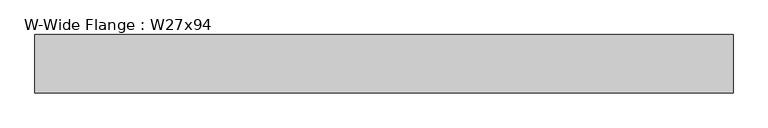
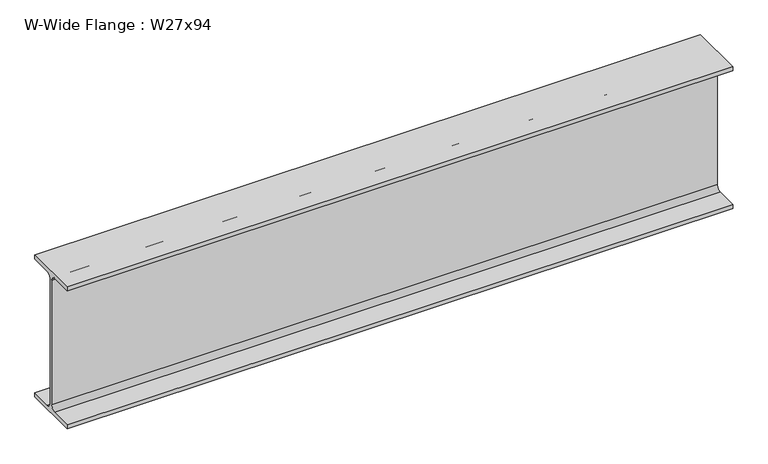
"""IFC4 building model written with IfcOpenShell, lengths in millimetres: beam geometry, W-Wide Flange : W27x94."""

from ifc_helpers import new_model, si_unit, point, frame, frame_2d, origin, place, context, project, spatial, polyline, circle_curve, trimmed, segment, composite_curve, outline, extrude, source, transform, mapped, element, save


def w_wide_flange_w27x94_03ec7a20(model_context):
    return source(origin(), model_context, "Body", "SweptSolid", [
        extrude(outline(composite_curve([segment(polyline([(-127.0, -322.707), (-28.575, -322.707)]), True, "CONTINUOUS"), segment(trimmed(circle_curve(frame_2d((-28.575, -300.355)), 22.352), [point((-28.575, -322.707))], [point((-6.223, -300.355))], True, "CARTESIAN"), True, "CONTINUOUS"), segment(polyline([(-6.223, -300.355), (-6.223, 300.355)]), True, "CONTINUOUS"), segment(trimmed(circle_curve(frame_2d((-28.575, 300.355)), 22.352), [point((-6.223, 300.355))], [point((-28.575, 322.707))], True, "CARTESIAN"), True, "CONTINUOUS"), segment(polyline([(-28.575, 322.707), (-127.0, 322.707), (-127.0, 341.63), (127.0, 341.63), (127.0, 322.707), (28.575, 322.707)]), True, "CONTINUOUS"), segment(trimmed(circle_curve(frame_2d((28.575, 300.355)), 22.352), [point((28.575, 322.707))], [point((6.223, 300.355))], True, "CARTESIAN"), True, "CONTINUOUS"), segment(polyline([(6.223, 300.355), (6.223, -300.355)]), True, "CONTINUOUS"), segment(trimmed(circle_curve(frame_2d((28.575, -300.355)), 22.352), [point((6.223, -300.355))], [point((28.575, -322.707))], True, "CARTESIAN"), True, "CONTINUOUS"), segment(polyline([(28.575, -322.707), (127.0, -322.707), (127.0, -341.63), (-127.0, -341.63), (-127.0, -322.707)]), True, "CONTINUOUS")], self_intersect=False)), frame((-1405.6429489, 0.0, 0.0), z_axis=(1.0, 0.0, 0.0), x_axis=(0.0, 1.0, 0.0)), (0.0, 0.0, 1.0), 3035.4058315),
    ])


if __name__ == "__main__":
    model = new_model("IFC4")
    model_context = context("Model", 3, world=origin())
    ifc_project = project(units=[si_unit("LENGTHUNIT", "METRE", prefix="MILLI")], contexts=[model_context])
    site = spatial("IfcSite", under=ifc_project)
    building = spatial("IfcBuilding", under=site)
    placement = place(None, origin())
    w_wide_flange_w27x94_shape = w_wide_flange_w27x94_03ec7a20(model_context)
    element("IfcBeam", 1, ObjectType="W-Wide Flange : W27x94", at=placement, inside=building, context=model_context, shape_type="MappedRepresentation", body=[
        mapped(w_wide_flange_w27x94_shape, transform((0.0, 0.0, 0.0), x_axis=(1.0, 0.0, 0.0), y_axis=(0.0, 1.0, 0.0), z_axis=(0.0, 0.0, 1.0))),
    ])
    save(model, "model.ifc")
